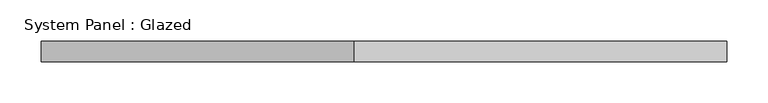
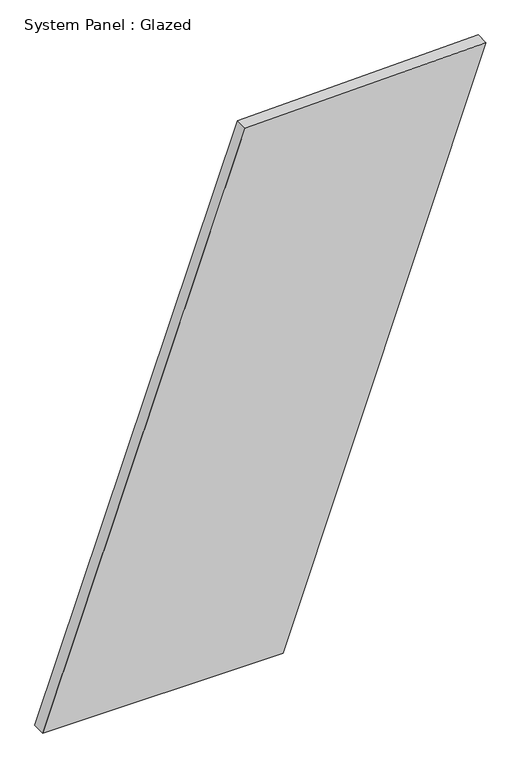
"""IFC4 building model written with IfcOpenShell, lengths in millimetres: plate geometry, System Panel : Glazed."""

from ifc_helpers import new_model, si_unit, frame, origin, place, context, project, spatial, polyline, outline, extrude, source, transform, mapped, element, save


def system_panel_glazed_c6ca6997(model_context):
    return source(origin(), model_context, "Body", "SweptSolid", [
        extrude(outline(polyline([(0.0, -417.4137173), (0.0, 35.2653), (1080.9242215, 417.4137173), (1069.1230297, -36.1909236), (0.0, -417.4137173)])), frame((0.0, -49.5, 0.0), z_axis=(0.0, 1.0, 0.0), x_axis=(0.0, 0.0, 1.0)), (0.0, 0.0, 1.0), 25.0),
    ])


if __name__ == "__main__":
    model = new_model("IFC4")
    model_context = context("Model", 3, world=origin())
    ifc_project = project(units=[si_unit("LENGTHUNIT", "METRE", prefix="MILLI")], contexts=[model_context])
    site = spatial("IfcSite", under=ifc_project)
    building = spatial("IfcBuilding", under=site)
    placement = place(None, origin())
    system_panel_glazed_shape = system_panel_glazed_c6ca6997(model_context)
    element("IfcPlate", 1, ObjectType="System Panel : Glazed", at=placement, inside=building, context=model_context, shape_type="MappedRepresentation", body=[
        mapped(system_panel_glazed_shape, transform((0.0, 0.0, 0.0), x_axis=(1.0, 0.0, 0.0), y_axis=(0.0, 1.0, 0.0), z_axis=(0.0, 0.0, 1.0))),
    ])
    save(model, "model.ifc")
